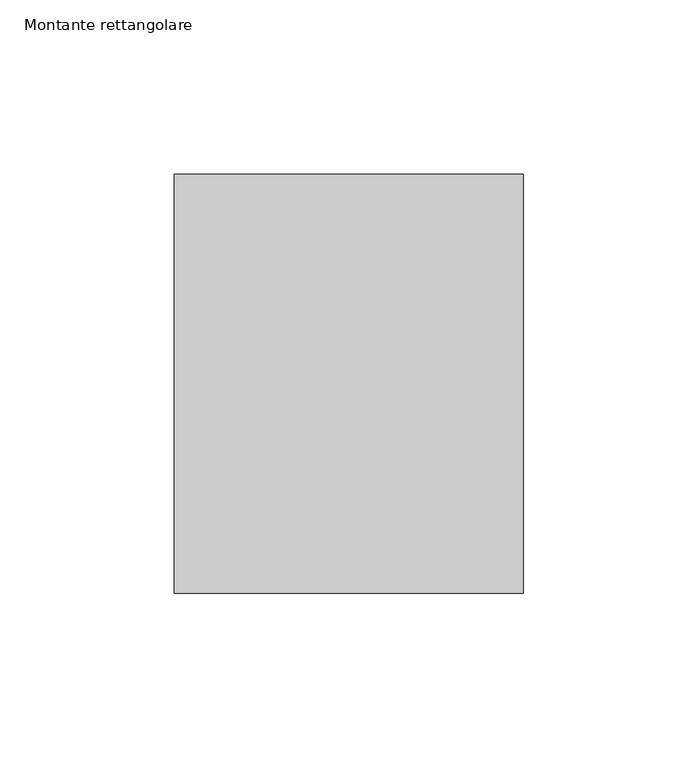
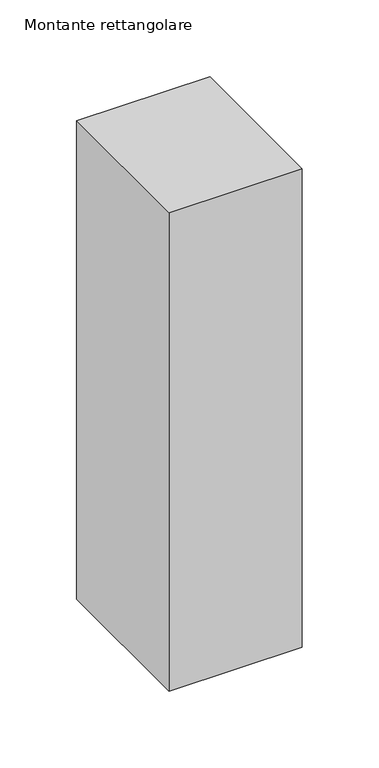
"""IFC4 building model written with IfcOpenShell, lengths in millimetres: member geometry, Montante rettangolare."""

from ifc_helpers import new_model, si_unit, frame, origin, place, context, project, spatial, polyline, outline, extrude, source, transform, mapped, element, save


def montante_rettangolare_31167380(model_context):
    return source(origin(), model_context, "Body", "SweptSolid", [
        extrude(outline(polyline([(50.0, 60.0), (50.0, -60.0), (-50.0, -60.0), (-50.0, 60.0), (50.0, 60.0)])), frame((0.0, 0.0, -380.0), z_axis=(0.0, 0.0, 1.0), x_axis=(1.0, 0.0, 0.0)), (0.0, 0.0, 1.0), 380.0),
    ])


if __name__ == "__main__":
    model = new_model("IFC4")
    model_context = context("Model", 3, world=origin())
    ifc_project = project(units=[si_unit("LENGTHUNIT", "METRE", prefix="MILLI")], contexts=[model_context])
    site = spatial("IfcSite", under=ifc_project)
    building = spatial("IfcBuilding", under=site)
    placement = place(None, origin())
    montante_rettangolare_shape = montante_rettangolare_31167380(model_context)
    element("IfcMember", 1, ObjectType="Montante rettangolare", at=placement, inside=building, context=model_context, shape_type="MappedRepresentation", body=[
        mapped(montante_rettangolare_shape, transform((0.0, 0.0, 0.0), x_axis=(1.0, 0.0, 0.0), y_axis=(0.0, 1.0, 0.0), z_axis=(0.0, 0.0, 1.0))),
    ])
    save(model, "model.ifc")
